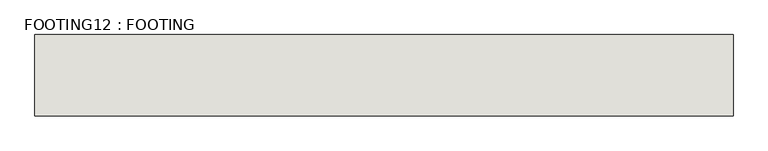
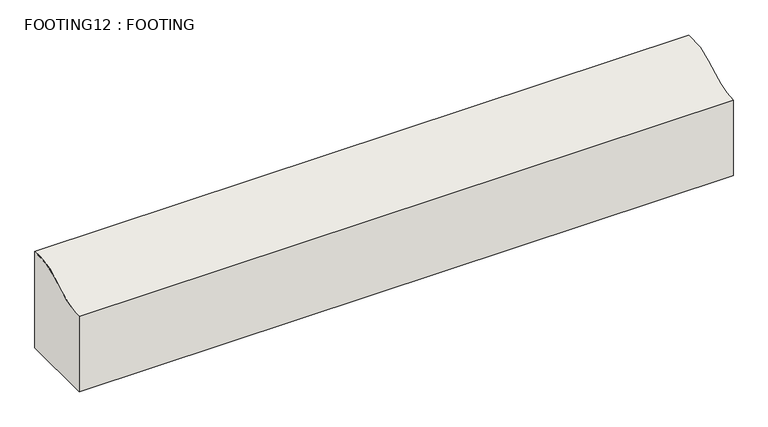
"""IFC4 building model written with IfcOpenShell, lengths in millimetres: wall geometry, FOOTING12 : FOOTING."""

from ifc_helpers import new_model, si_unit, frame, origin, place, context, project, spatial, source, transform, mapped, element, save
from ifc_brep_helpers import plane_surface, extruded_surface, spline_curve, advanced_brep


def footing12_footing_2266cd28(model_context):
    return source(origin(), model_context, "Body", "AdvancedBrep", [
        advanced_brep(
        [(59.8214018, 2941.0652891, -92.075), (59.8214018, 2703.7650983, -161.5320573), (59.8214018, 2703.7650983, -409.575), (59.8214018, 2941.0652891, -409.575), (-1972.1785982, 2941.0652891, -92.075), (-1972.1785982, 2941.0652891, -409.575), (-1972.1785982, 2703.7650983, -409.575), (-1972.1785982, 2703.7650983, -161.5320573)],
        [
            (0, 1, spline_curve(3, [(59.8214018, 2941.0652891, -92.075), (59.8214018, 2868.409704323, -85.718459992), (59.8214018, 2835.788418587, -113.181811208), (59.8214018, 2769.987969189, -149.933480467), (59.8214018, 2737.865289076, -161.5320573), (59.8214018, 2703.7650983, -161.5320573)], [4, 2, 4], [0.0, 0.24746321530209436, 0.4524582257296428])),
            (1, 2),
            (2, 3),
            (3, 0),
            (4, 5),
            (5, 6),
            (6, 7),
            (7, 4, spline_curve(3, [(-1972.1785982, 2703.7650983, -161.5320573), (-1972.1785982, 2737.865289076, -161.5320573), (-1972.1785982, 2769.987969189, -149.933480467), (-1972.1785982, 2835.788418587, -113.181811208), (-1972.1785982, 2868.409704323, -85.718459992), (-1972.1785982, 2941.0652891, -92.075)], [4, 2, 4], [0.0, 0.20499501042754842, 0.4524582257296428])),
            (2, 6),
            (5, 3),
            (4, 0),
            (7, 1),
        ],
        [
            plane_surface(frame((59.8214018, 2941.0652891, 0.0), z_axis=(1.0, 0.0, 0.0), x_axis=(0.0, 0.0, 1.0))),
            plane_surface(frame((-1972.1785982, 2941.0652891, 0.0), z_axis=(-1.0, 0.0, 0.0), x_axis=(0.0, 0.0, 1.0))),
            plane_surface(frame((59.8214018, 2703.7650983, -409.575), z_axis=(0.0, 0.0, -1.0), x_axis=(-1.0, 0.0, 0.0))),
            plane_surface(frame((59.8214018, 2941.0652891, -409.575), z_axis=(0.0, 1.0, 0.0), x_axis=(-1.0, 0.0, 0.0))),
            extruded_surface(spline_curve(3, [(-1972.1785982, 2941.0652891, -92.075), (-1972.1785982, 2868.409704323, -85.718459992), (-1972.1785982, 2835.788418587, -113.181811208), (-1972.1785982, 2769.987969189, -149.933480467), (-1972.1785982, 2737.865289076, -161.5320573), (-1972.1785982, 2703.7650983, -161.5320573)], [4, 2, 4], [0.0, 0.24746321530209436, 0.4524582257296428]), (2032.0, 0.0, 0.0), 2032.0),
            plane_surface(frame((59.8214018, 2703.7650983, -161.5320573), z_axis=(0.0, -1.0, 0.0), x_axis=(-1.0, 0.0, 0.0))),
        ],
        [
            (0, [[1, 2, 3, 4]]),
            (1, [[5, 6, 7, 8]]),
            (2, [[-3, 9, -6, 10]]),
            (3, [[-4, -10, -5, 11]]),
            (4, [[-1, -11, -8, 12]]),
            (5, [[-2, -12, -7, -9]]),
        ],
    ),
    ])


if __name__ == "__main__":
    model = new_model("IFC4")
    model_context = context("Model", 3, world=origin())
    ifc_project = project(units=[si_unit("LENGTHUNIT", "METRE", prefix="MILLI")], contexts=[model_context])
    site = spatial("IfcSite", under=ifc_project)
    building = spatial("IfcBuilding", under=site)
    placement = place(None, origin())
    footing12_footing_shape = footing12_footing_2266cd28(model_context)
    element("IfcWall", 1, ObjectType="FOOTING12 : FOOTING", at=placement, inside=building, context=model_context, shape_type="MappedRepresentation", body=[
        mapped(footing12_footing_shape, transform((0.0, 0.0, 0.0), x_axis=(1.0, 0.0, 0.0), y_axis=(0.0, 1.0, 0.0), z_axis=(0.0, 0.0, 1.0))),
    ])
    save(model, "model.ifc")
